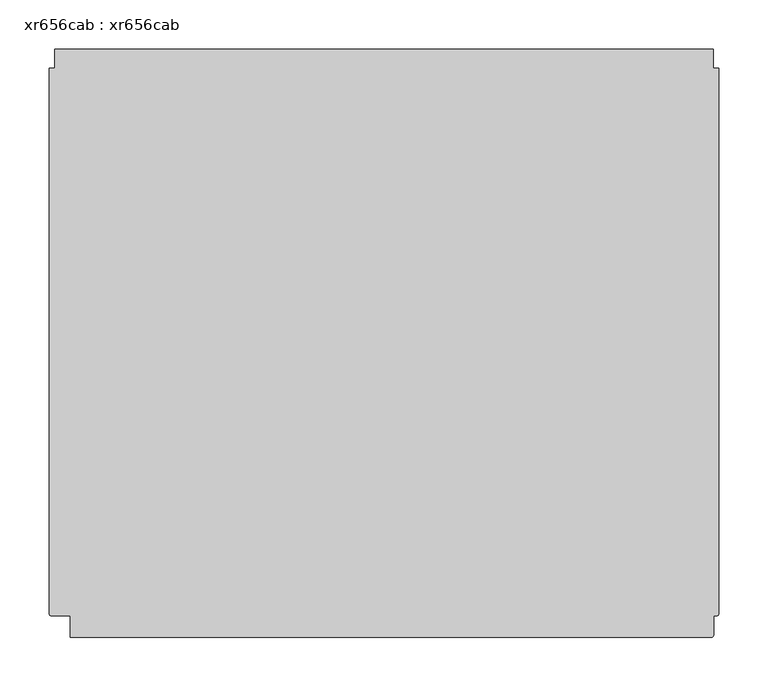
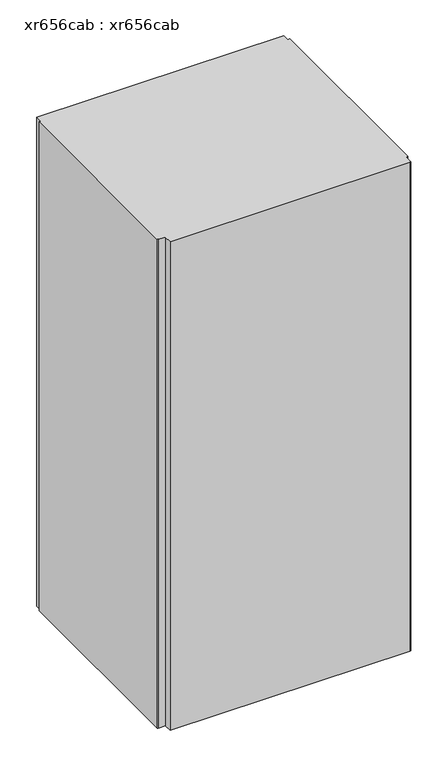
"""IFC4 building model written with IfcOpenShell, lengths in millimetres: proxy geometry, xr656cab : xr656cab."""

from ifc_helpers import new_model, si_unit, point, frame_2d, origin, origin_with_axes, place, context, project, spatial, polyline, circle_curve, trimmed, segment, composite_curve, outline, extrude, source, transform, mapped, element, save


def xr656cab_xr656cab_f2dd9c1d(model_context):
    return source(origin(), model_context, "Body", "SweptSolid", [
        extrude(outline(composite_curve([segment(polyline([(90.0100496, -596.7976038), (90.0100496, -575.0748036), (70.9921645, -575.0748036)]), True, "CONTINUOUS"), segment(trimmed(circle_curve(frame_2d((70.9921645, -572.6633311)), 2.4114725), [point((70.9921645, -575.0748036))], [point((68.580692, -572.6633311))], False, "CARTESIAN"), True, "CONTINUOUS"), segment(polyline([(68.580692, -572.6633311), (68.580692, -19.2913382), (73.885828, -19.2913382), (73.885828, 0.0), (742.13784, 0.0), (742.13784, -19.2913382), (747.4429185, -19.2913382), (747.4429185, -572.6633886)]), True, "CONTINUOUS"), segment(trimmed(circle_curve(frame_2d((745.0315035, -572.6633886)), 2.411415), [point((747.4429185, -572.6633886))], [point((745.0315035, -575.0748036))], False, "CARTESIAN"), True, "CONTINUOUS"), segment(polyline([(745.0315035, -575.0748036), (742.2957723, -575.0748036), (742.2957723, -594.3861313)]), True, "CONTINUOUS"), segment(trimmed(circle_curve(frame_2d((739.8842998, -594.3861313)), 2.4114725), [point((742.2957723, -594.3861313))], [point((739.8842998, -596.7976038))], False, "CARTESIAN"), True, "CONTINUOUS"), segment(polyline([(739.8842998, -596.7976038), (90.0100496, -596.7976038)]), True, "CONTINUOUS")], self_intersect=False)), origin_with_axes(), (0.0, 0.0, 1.0), 1399.5796875),
    ])


if __name__ == "__main__":
    model = new_model("IFC4")
    model_context = context("Model", 3, world=origin())
    ifc_project = project(units=[si_unit("LENGTHUNIT", "METRE", prefix="MILLI")], contexts=[model_context])
    site = spatial("IfcSite", under=ifc_project)
    building = spatial("IfcBuilding", under=site)
    placement = place(None, origin())
    xr656cab_xr656cab_shape = xr656cab_xr656cab_f2dd9c1d(model_context)
    element("IfcBuildingElementProxy", 1, Name="xr656cab : xr656cab", ObjectType="xr656cab : xr656cab", at=placement, inside=building, context=model_context, shape_type="MappedRepresentation", body=[
        mapped(xr656cab_xr656cab_shape, transform((0.0, 0.0, 0.0), x_axis=(1.0, 0.0, 0.0), y_axis=(0.0, 1.0, 0.0), z_axis=(0.0, 0.0, 1.0))),
    ])
    save(model, "model.ifc")
